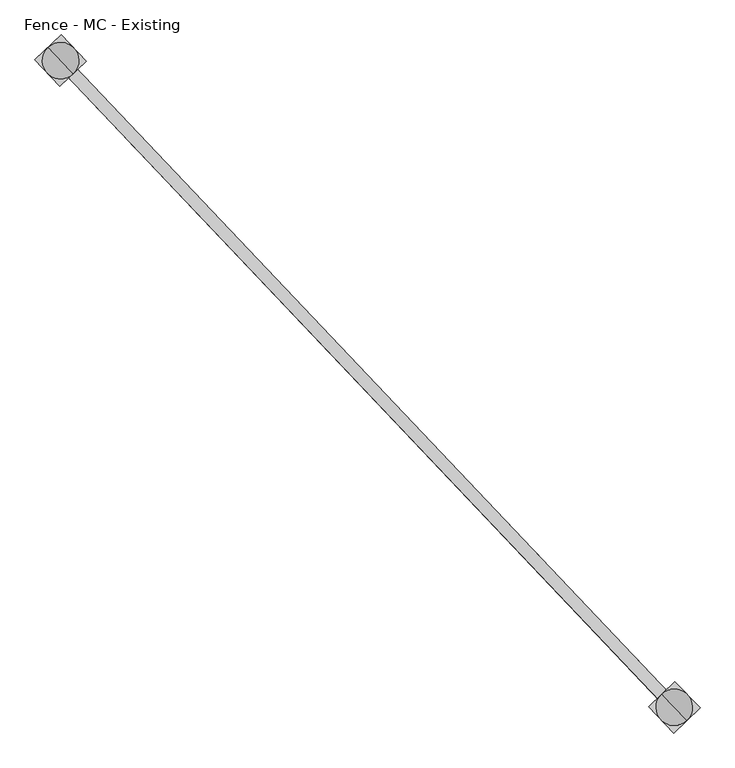
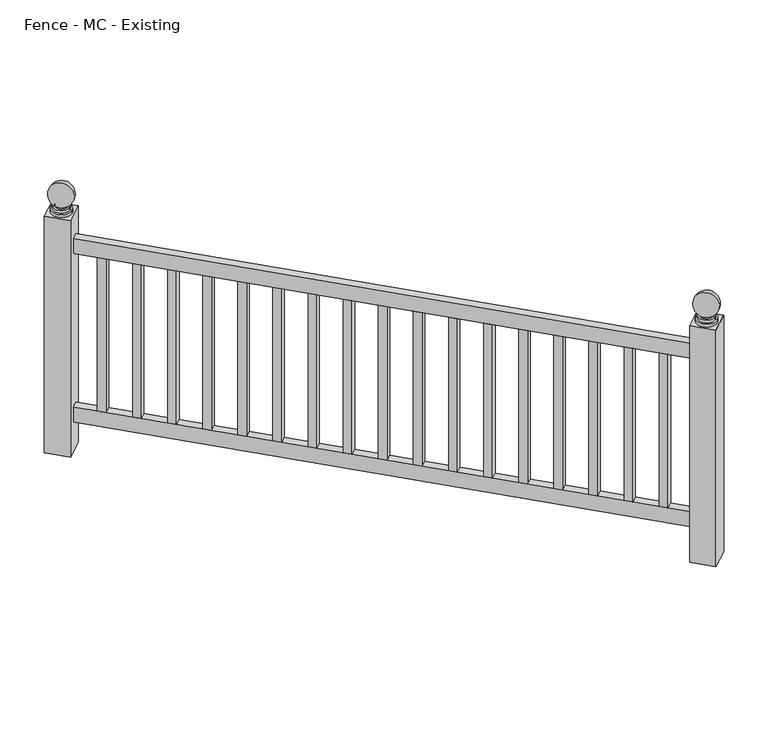
"""IFC4 building model written with IfcOpenShell, lengths in millimetres: railing geometry, Fence - MC - Existing."""

import ifcopenshell
import ifcopenshell.guid

model = None  # the IFC model being written
_history = None  # IfcOwnerHistory: only IFC2X3 demands one
_inside = {}  # id of a spatial element -> (the spatial element, [elements in it])
_under = {}  # id of a project, library or spatial element -> (it, [spatial elements below it])
_declared = {}  # id of a project -> (the project, [libraries it declares])
_typed = {}  # id of a type object -> (the type object, [elements of that type])
_made_of = {}  # id of a material, layer set ... -> (it, [elements and type objects made of it])


def new_model(schema):
    """Start an empty IFC model of exactly this schema.

    Asked for "IFC4X3", IfcOpenShell would pick the latest addendum, in which some entities
    have other attributes; the version numbers below select the first issue.
    IFC2X3 requires an IfcOwnerHistory on every rooted entity: one is made here for all.
    """
    global model, _history
    if schema == "IFC4X3":
        model = ifcopenshell.file(schema_version=(4, 3, 0, 0))
    else:
        model = ifcopenshell.file(schema=schema)
    _inside.clear()
    _under.clear()
    _declared.clear()
    _typed.clear()
    _made_of.clear()
    _history = None
    if model.schema == "IFC2X3":
        org = make("IfcOrganization", Name="unknown")
        user = make(
            "IfcPersonAndOrganization",
            ThePerson=make("IfcPerson", FamilyName="unknown"),
            TheOrganization=org,
        )
        app = make(
            "IfcApplication",
            ApplicationDeveloper=org,
            Version="unknown",
            ApplicationFullName="unknown",
            ApplicationIdentifier="unknown",
        )
        _history = make(
            "IfcOwnerHistory",
            OwningUser=user,
            OwningApplication=app,
            ChangeAction="ADDED",
            CreationDate=0,
        )
    return model


def make(cls, **values):
    """One entity of the class cls with the attributes given. An attribute that is None is left unset."""
    return model.create_entity(
        cls, **{name: value for name, value in values.items() if value is not None}
    )


def rooted(cls, **values):
    """An entity with a GlobalId (a new one), such as an element, a storey or a relation."""
    return make(cls, GlobalId=ifcopenshell.guid.new(), OwnerHistory=_history, **values)


def si_unit(unit_type, name, prefix=None):
    """IfcSIUnit, for example si_unit("LENGTHUNIT", "METRE", prefix="MILLI")."""
    return make("IfcSIUnit", UnitType=unit_type, Prefix=prefix, Name=name)


def assignment(units):
    """IfcUnitAssignment: the units of a project."""
    return None if units is None else make("IfcUnitAssignment", Units=units)


def point(xyz):
    """IfcCartesianPoint."""
    return None if xyz is None else make("IfcCartesianPoint", Coordinates=xyz)


def direction(xyz):
    """IfcDirection."""
    return None if xyz is None else make("IfcDirection", DirectionRatios=xyz)


def frame(location, z_axis=None, x_axis=None):
    """IfcAxis2Placement3D, a coordinate frame: its origin and axes. An axis left out is left unset."""
    return make(
        "IfcAxis2Placement3D",
        Location=point(location),
        Axis=direction(z_axis),
        RefDirection=direction(x_axis),
    )


def origin():
    """The frame at (0, 0, 0) with its axes left unset."""
    return frame((0.0, 0.0, 0.0))


def place(relative_to, where):
    """IfcLocalPlacement: puts the frame where relative to a parent placement (None: the world)."""
    return make(
        "IfcLocalPlacement", PlacementRelTo=relative_to, RelativePlacement=where
    )


def context(
    kind, dimensions, precision=None, world=None, true_north=None, identifier=None
):
    """IfcGeometricRepresentationContext, for example the 3D "Model" context."""
    return make(
        "IfcGeometricRepresentationContext",
        ContextIdentifier=identifier,
        ContextType=kind,
        CoordinateSpaceDimension=dimensions,
        Precision=precision,
        WorldCoordinateSystem=world,
        TrueNorth=true_north,
    )


def project(units=None, contexts=None):
    """IfcProject with its units and contexts."""
    return rooted(
        "IfcProject",
        Name="project",
        RepresentationContexts=contexts,
        UnitsInContext=assignment(units),
    )


def spatial(cls, under=None, at=None, **own):
    """A site, building, storey or space (cls), placed at a placement, below another one or the project."""
    s = rooted(cls, ObjectPlacement=at, **own)
    if under is not None:
        _under.setdefault(under.id(), (under, []))[1].append(s)
    return s


def polyline(points):
    """IfcPolyline through the points."""
    return make("IfcPolyline", Points=[point(p) for p in points])


def circle_curve(where, radius):
    """IfcCircle in the frame where."""
    return make("IfcCircle", Position=where, Radius=radius)


def ellipse_curve(where, semi_axis1, semi_axis2):
    """IfcEllipse in the frame where."""
    return make(
        "IfcEllipse", Position=where, SemiAxis1=semi_axis1, SemiAxis2=semi_axis2
    )


def trimmed(basis, trim1, trim2, sense, master):
    """IfcTrimmedCurve: the piece of a basis curve between two trims."""
    return make(
        "IfcTrimmedCurve",
        BasisCurve=basis,
        Trim1=trim1,
        Trim2=trim2,
        SenseAgreement=sense,
        MasterRepresentation=master,
    )


def outline(outer, holes=None, kind="AREA"):
    """IfcArbitraryClosedProfileDef: a profile drawn as a closed curve; with holes, ...WithVoids."""
    if holes is None:
        return make("IfcArbitraryClosedProfileDef", ProfileType=kind, OuterCurve=outer)
    return make(
        "IfcArbitraryProfileDefWithVoids",
        ProfileType=kind,
        OuterCurve=outer,
        InnerCurves=holes,
    )


def extrude(swept, where, along, depth):
    """IfcExtrudedAreaSolid: the profile swept, set in the frame where, extruded along a direction by depth."""
    return make(
        "IfcExtrudedAreaSolid",
        SweptArea=swept,
        Position=where,
        ExtrudedDirection=direction(along),
        Depth=depth,
    )


def shape(context_of_items, identifier, shape_type, items):
    """IfcShapeRepresentation: the items that make up one representation, for example the "Body"."""
    return make(
        "IfcShapeRepresentation",
        ContextOfItems=context_of_items,
        RepresentationIdentifier=identifier,
        RepresentationType=shape_type,
        Items=items,
    )


def source(mapping_origin, context_of_items, identifier, shape_type, items):
    """IfcRepresentationMap: a shape defined once, which mapped items show again and again."""
    return make(
        "IfcRepresentationMap",
        MappingOrigin=mapping_origin,
        MappedRepresentation=shape(context_of_items, identifier, shape_type, items),
    )


def transform(
    local_origin,
    x_axis=None,
    y_axis=None,
    z_axis=None,
    scale=None,
    scale2=None,
    scale3=None,
    uniform=True,
):
    """IfcCartesianTransformationOperator3D, or its non-uniform kind. x_axis, y_axis, z_axis: its Axis1, 2, 3."""
    if uniform:
        return make(
            "IfcCartesianTransformationOperator3D",
            Axis1=direction(x_axis),
            Axis2=direction(y_axis),
            LocalOrigin=point(local_origin),
            Scale=scale,
            Axis3=direction(z_axis),
        )
    return make(
        "IfcCartesianTransformationOperator3DnonUniform",
        Axis1=direction(x_axis),
        Axis2=direction(y_axis),
        LocalOrigin=point(local_origin),
        Scale=scale,
        Axis3=direction(z_axis),
        Scale2=scale2,
        Scale3=scale3,
    )


def mapped(mapping_source, mapping_target):
    """IfcMappedItem: shows the shape of a source again, moved by a transform."""
    return make(
        "IfcMappedItem", MappingSource=mapping_source, MappingTarget=mapping_target
    )


def made_of(thing, what):
    """Note that an element or type object is made of a material, layer set ...; save() writes the relation."""
    if what is not None:
        _made_of.setdefault(what.id(), (what, []))[1].append(thing)
    return thing


def element(
    cls,
    number,
    at=None,
    inside=None,
    cuts=None,
    type_object=None,
    material=None,
    context=None,
    identifier="Body",
    shape_type=None,
    held_by="IfcProductDefinitionShape",
    body=None,
    shapes=None,
    **own,
):
    """One element of the class cls, such as IfcWall. Its Tag is "e" and its number.

    at: its placement. inside: the storey or other place that contains it. cuts: it is an
    opening in that element (IfcRelVoidsElement). A single representation is given by context,
    identifier, shape_type and body (its items); several are given by shapes. held_by: the class
    of the entity that holds the representations. save() writes the other relations.
    """
    e = rooted(cls, Tag="e%d" % number, ObjectPlacement=at, **own)
    if body is not None:
        shapes = [shape(context, identifier, shape_type, body)]
    if shapes is not None:
        e.Representation = make(held_by, Representations=shapes)
    if inside is not None:
        _inside.setdefault(inside.id(), (inside, []))[1].append(e)
    if cuts is not None:
        rooted(
            "IfcRelVoidsElement", RelatingBuildingElement=cuts, RelatedOpeningElement=e
        )
    if type_object is not None:
        _typed.setdefault(type_object.id(), (type_object, []))[1].append(e)
    return made_of(e, material)


def aggregate(whole, parts):
    """IfcRelAggregates: a whole, such as a stair, and the parts it consists of."""
    return rooted("IfcRelAggregates", RelatingObject=whole, RelatedObjects=parts)


def save(model, path):
    """Write the relations noted so far, then the file.

    IfcRelAggregates (storeys below a building ...), IfcRelContainedInSpatialStructure (elements
    in a storey), IfcRelDefinesByType, IfcRelAssociatesMaterial and IfcRelDeclares: one each for
    every whole, place, type object, material and project.
    """
    for whole, parts in _under.values():
        aggregate(whole, parts)
    for where, things in _inside.values():
        rooted(
            "IfcRelContainedInSpatialStructure",
            RelatedElements=things,
            RelatingStructure=where,
        )
    for kind, things in _typed.values():
        rooted("IfcRelDefinesByType", RelatedObjects=things, RelatingType=kind)
    for what, things in _made_of.values():
        rooted("IfcRelAssociatesMaterial", RelatedObjects=things, RelatingMaterial=what)
    for by, libraries in _declared.values():
        rooted("IfcRelDeclares", RelatingContext=by, RelatedDefinitions=libraries)
    model.write(path)


def plane_surface(at):
    """IfcPlane: the flat surface through the origin of the frame at, square to its z axis."""
    return make("IfcPlane", Position=at)


def cylinder_surface(at, radius):
    """IfcCylindricalSurface: all points at the distance radius from the z axis of the frame at."""
    return make("IfcCylindricalSurface", Position=at, Radius=radius)


def revolved_surface(curve, axis_point, axis_direction):
    """IfcSurfaceOfRevolution: the curve turned about the line through axis_point along axis_direction."""
    return make(
        "IfcSurfaceOfRevolution",
        SweptCurve=make("IfcArbitraryOpenProfileDef", ProfileType="CURVE", Curve=curve),
        AxisPosition=make("IfcAxis1Placement", Location=point(axis_point), Axis=direction(axis_direction)),
    )


def advanced_brep(points, edges, surfaces, faces):
    """IfcAdvancedBrep: a solid bounded by faces that lie on surfaces and meet in shared edges.

    An edge is (start, end): straight between two places in points (the first is 0);
    or (start, end, curve); or (start, end, curve, False) where it runs against its curve.
    A face is (place in surfaces, loops), or (place, loops, False) where it looks against
    its surface's normal. A loop lists edges by number (the first is 1), with a minus sign
    where the edge is run from its end to its start. The first loop is the outer one.
    """
    corners = [point(p) for p in points]
    vertices = [make("IfcVertexPoint", VertexGeometry=c) for c in corners]
    made = []
    for start, end, *more in edges:
        made.append(
            make(
                "IfcEdgeCurve",
                EdgeStart=vertices[start],
                EdgeEnd=vertices[end],
                EdgeGeometry=more[0] if more else make("IfcPolyline", Points=[corners[start], corners[end]]),
                SameSense=more[1] if len(more) > 1 else True,
            )
        )
    hull = []
    for where, loops, *sense in faces:
        bounds = []
        for j, loop in enumerate(loops):
            ring = [make("IfcOrientedEdge", EdgeElement=made[abs(k) - 1], Orientation=k > 0) for k in loop]
            bounds.append(
                make(
                    "IfcFaceOuterBound" if j == 0 else "IfcFaceBound",
                    Bound=make("IfcEdgeLoop", EdgeList=ring),
                    Orientation=True,
                )
            )
        hull.append(make("IfcAdvancedFace", Bounds=bounds, FaceSurface=surfaces[where], SameSense=sense[0] if sense else True))
    return make("IfcAdvancedBrep", Outer=make("IfcClosedShell", CfsFaces=hull))


def fence_mc_existing_903e7204(model_context):
    return source(origin(), model_context, "Body", "SolidModel", [
        extrude(outline(polyline([(105801.3082661, 38392.8561314), (105782.8837571, 38375.3719251), (104497.7945997, 39729.5733384), (104516.2191087, 39747.0575446), (105801.3082661, 38392.8561314)])), frame((0.0, 0.0, 27660.6), z_axis=(0.0, 0.0, 1.0), x_axis=(1.0, 0.0, 0.0)), (0.0, 0.0, 1.0), 50.8),
        extrude(outline(polyline([(105801.3082661, 38392.8561314), (105782.8837571, 38375.3719251), (104497.7945997, 39729.5733384), (104516.2191087, 39747.0575446), (105801.3082661, 38392.8561314)])), frame((0.0, 0.0, 27089.1), z_axis=(0.0, 0.0, 1.0), x_axis=(1.0, 0.0, 0.0)), (0.0, 0.0, 1.0), 50.8),
        extrude(outline(polyline([(104538.0743665, 39724.0269083), (104519.6498575, 39706.5427021), (104502.1656513, 39724.9672111), (104520.5901603, 39742.4514174), (104538.0743665, 39724.0269083)])), frame((0.0, 0.0, 27139.9), z_axis=(0.0, 0.0, 1.0), x_axis=(1.0, 0.0, 0.0)), (0.0, 0.0, 1.0), 520.7),
        extrude(outline(polyline([(104608.0111914, 39650.3288722), (104589.5866824, 39632.844666), (104572.1024762, 39651.269175), (104590.5269852, 39668.7533813), (104608.0111914, 39650.3288722)])), frame((0.0, 0.0, 27139.9), z_axis=(0.0, 0.0, 1.0), x_axis=(1.0, 0.0, 0.0)), (0.0, 0.0, 1.0), 520.7),
        extrude(outline(polyline([(104677.9480163, 39576.6308361), (104659.5235073, 39559.1466299), (104642.039301, 39577.5711389), (104660.4638101, 39595.0553452), (104677.9480163, 39576.6308361)])), frame((0.0, 0.0, 27139.9), z_axis=(0.0, 0.0, 1.0), x_axis=(1.0, 0.0, 0.0)), (0.0, 0.0, 1.0), 520.7),
        extrude(outline(polyline([(104747.8848412, 39502.9328), (104729.4603322, 39485.4485938), (104711.9761259, 39503.8731028), (104730.400635, 39521.3573091), (104747.8848412, 39502.9328)])), frame((0.0, 0.0, 27139.9), z_axis=(0.0, 0.0, 1.0), x_axis=(1.0, 0.0, 0.0)), (0.0, 0.0, 1.0), 520.7),
        extrude(outline(polyline([(104817.8216661, 39429.234764), (104799.397157, 39411.7505577), (104781.9129508, 39430.1750668), (104800.3374598, 39447.659273), (104817.8216661, 39429.234764)])), frame((0.0, 0.0, 27139.9), z_axis=(0.0, 0.0, 1.0), x_axis=(1.0, 0.0, 0.0)), (0.0, 0.0, 1.0), 520.7),
        extrude(outline(polyline([(104887.758491, 39355.5367279), (104869.3339819, 39338.0525216), (104851.8497757, 39356.4770307), (104870.2742847, 39373.9612369), (104887.758491, 39355.5367279)])), frame((0.0, 0.0, 27139.9), z_axis=(0.0, 0.0, 1.0), x_axis=(1.0, 0.0, 0.0)), (0.0, 0.0, 1.0), 520.7),
        extrude(outline(polyline([(104957.6953159, 39281.8386918), (104939.2708068, 39264.3544855), (104921.7866006, 39282.7789946), (104940.2111096, 39300.2632008), (104957.6953159, 39281.8386918)])), frame((0.0, 0.0, 27139.9), z_axis=(0.0, 0.0, 1.0), x_axis=(1.0, 0.0, 0.0)), (0.0, 0.0, 1.0), 520.7),
        extrude(outline(polyline([(105027.6321407, 39208.1406557), (105009.2076317, 39190.6564494), (104991.7234255, 39209.0809585), (105010.1479345, 39226.5651647), (105027.6321407, 39208.1406557)])), frame((0.0, 0.0, 27139.9), z_axis=(0.0, 0.0, 1.0), x_axis=(1.0, 0.0, 0.0)), (0.0, 0.0, 1.0), 520.7),
        extrude(outline(polyline([(105097.5689656, 39134.4426196), (105079.1444566, 39116.9584133), (105061.6602504, 39135.3829224), (105080.0847594, 39152.8671286), (105097.5689656, 39134.4426196)])), frame((0.0, 0.0, 27139.9), z_axis=(0.0, 0.0, 1.0), x_axis=(1.0, 0.0, 0.0)), (0.0, 0.0, 1.0), 520.7),
        extrude(outline(polyline([(105167.5057905, 39060.7445835), (105149.0812815, 39043.2603773), (105131.5970753, 39061.6848863), (105150.0215843, 39079.1690925), (105167.5057905, 39060.7445835)])), frame((0.0, 0.0, 27139.9), z_axis=(0.0, 0.0, 1.0), x_axis=(1.0, 0.0, 0.0)), (0.0, 0.0, 1.0), 520.7),
        extrude(outline(polyline([(105237.4426154, 38987.0465474), (105219.0181064, 38969.5623412), (105201.5339002, 38987.9868502), (105219.9584092, 39005.4710564), (105237.4426154, 38987.0465474)])), frame((0.0, 0.0, 27139.9), z_axis=(0.0, 0.0, 1.0), x_axis=(1.0, 0.0, 0.0)), (0.0, 0.0, 1.0), 520.7),
        extrude(outline(polyline([(105307.3794403, 38913.3485113), (105288.9549313, 38895.8643051), (105271.4707251, 38914.2888141), (105289.8952341, 38931.7730203), (105307.3794403, 38913.3485113)])), frame((0.0, 0.0, 27139.9), z_axis=(0.0, 0.0, 1.0), x_axis=(1.0, 0.0, 0.0)), (0.0, 0.0, 1.0), 520.7),
        extrude(outline(polyline([(105377.3162652, 38839.6504752), (105358.8917562, 38822.166269), (105341.4075499, 38840.590778), (105359.832059, 38858.0749842), (105377.3162652, 38839.6504752)])), frame((0.0, 0.0, 27139.9), z_axis=(0.0, 0.0, 1.0), x_axis=(1.0, 0.0, 0.0)), (0.0, 0.0, 1.0), 520.7),
        extrude(outline(polyline([(105447.2530901, 38765.9524391), (105428.8285811, 38748.4682329), (105411.3443748, 38766.8927419), (105429.7688839, 38784.3769481), (105447.2530901, 38765.9524391)])), frame((0.0, 0.0, 27139.9), z_axis=(0.0, 0.0, 1.0), x_axis=(1.0, 0.0, 0.0)), (0.0, 0.0, 1.0), 520.7),
        extrude(outline(polyline([(105517.189915, 38692.254403), (105498.765406, 38674.7701968), (105481.2811997, 38693.1947058), (105499.7057088, 38710.678912), (105517.189915, 38692.254403)])), frame((0.0, 0.0, 27139.9), z_axis=(0.0, 0.0, 1.0), x_axis=(1.0, 0.0, 0.0)), (0.0, 0.0, 1.0), 520.7),
        extrude(outline(polyline([(105587.1267399, 38618.5563669), (105568.7022308, 38601.0721607), (105551.2180246, 38619.4966697), (105569.6425336, 38636.9808759), (105587.1267399, 38618.5563669)])), frame((0.0, 0.0, 27139.9), z_axis=(0.0, 0.0, 1.0), x_axis=(1.0, 0.0, 0.0)), (0.0, 0.0, 1.0), 520.7),
        extrude(outline(polyline([(105657.0635648, 38544.8583308), (105638.6390557, 38527.3741246), (105621.1548495, 38545.7986336), (105639.5793585, 38563.2828398), (105657.0635648, 38544.8583308)])), frame((0.0, 0.0, 27139.9), z_axis=(0.0, 0.0, 1.0), x_axis=(1.0, 0.0, 0.0)), (0.0, 0.0, 1.0), 520.7),
        extrude(outline(polyline([(105727.0003896, 38471.1602947), (105708.5758806, 38453.6760885), (105691.0916744, 38472.1005975), (105709.5161834, 38489.5848037), (105727.0003896, 38471.1602947)])), frame((0.0, 0.0, 27139.9), z_axis=(0.0, 0.0, 1.0), x_axis=(1.0, 0.0, 0.0)), (0.0, 0.0, 1.0), 520.7),
        extrude(outline(polyline([(105796.9372145, 38397.4622586), (105778.5127055, 38379.9780524), (105761.0284993, 38398.4025614), (105779.4530083, 38415.8867676), (105796.9372145, 38397.4622586)])), frame((0.0, 0.0, 27139.9), z_axis=(0.0, 0.0, 1.0), x_axis=(1.0, 0.0, 0.0)), (0.0, 0.0, 1.0), 520.7),
        advanced_brep(
        [(104485.1515964, 39761.3460778, 27787.6), (104528.862112, 39715.2848052, 27787.6), (104507.0068542, 39738.3154415, 27787.6), (104485.1515964, 39761.3460778, 27797.125), (104528.862112, 39715.2848052, 27797.125), (104489.522648, 39756.7399505, 27797.125), (104524.4910604, 39719.8909325, 27797.125), (104489.522648, 39756.7399505, 27806.65), (104524.4910604, 39719.8909325, 27806.65), (104493.8936996, 39752.1338233, 27806.65), (104520.1200089, 39724.4970597, 27806.65), (104493.8936996, 39752.1338233, 27811.7544321), (104520.1200089, 39724.4970597, 27811.7544321), (104507.0068542, 39738.3154415, 27882.85)],
        [
            (0, 1, circle_curve(frame((104507.0068542, 39738.3154415, 27787.6), z_axis=(0.0, 0.0, -1.0), x_axis=(0.6883545756937386, -0.7253743710123023, 0.0)), 31.75)),
            (1, 2),
            (2, 0),
            (1, 0, circle_curve(frame((104507.0068542, 39738.3154415, 27787.6), z_axis=(0.0, 0.0, -1.0), x_axis=(0.6883545756937386, -0.7253743710123023, 0.0)), 31.75)),
            (0, 3),
            (3, 4, circle_curve(frame((104507.0068542, 39738.3154415, 27797.125), z_axis=(0.0, 0.0, -1.0), x_axis=(0.6883545756937386, -0.7253743710123023, 0.0)), 31.75)),
            (4, 1),
            (4, 3, circle_curve(frame((104507.0068542, 39738.3154415, 27797.125), z_axis=(0.0, 0.0, -1.0), x_axis=(0.6883545756937386, -0.7253743710123023, 0.0)), 31.75)),
            (3, 5),
            (5, 6, circle_curve(frame((104507.0068542, 39738.3154415, 27797.125), z_axis=(0.0, 0.0, -1.0), x_axis=(0.6883545756937386, -0.7253743710123023, 0.0)), 25.4)),
            (6, 4),
            (6, 5, circle_curve(frame((104507.0068542, 39738.3154415, 27797.125), z_axis=(0.0, 0.0, -1.0), x_axis=(0.6883545756937386, -0.7253743710123023, 0.0)), 25.4)),
            (5, 7),
            (7, 8, circle_curve(frame((104507.0068542, 39738.3154415, 27806.65), z_axis=(0.0, 0.0, -1.0), x_axis=(0.6883545756937386, -0.7253743710123023, 0.0)), 25.4)),
            (8, 6),
            (8, 7, circle_curve(frame((104507.0068542, 39738.3154415, 27806.65), z_axis=(0.0, 0.0, -1.0), x_axis=(0.6883545756937386, -0.7253743710123023, 0.0)), 25.4)),
            (7, 9),
            (9, 10, circle_curve(frame((104507.0068542, 39738.3154415, 27806.65), z_axis=(0.0, 0.0, -1.0), x_axis=(0.6883545756937386, -0.7253743710123023, 0.0)), 19.05)),
            (10, 8),
            (10, 9, circle_curve(frame((104507.0068542, 39738.3154415, 27806.65), z_axis=(0.0, 0.0, -1.0), x_axis=(0.6883545756937386, -0.7253743710123023, 0.0)), 19.05)),
            (9, 11),
            (11, 12, circle_curve(frame((104507.0068542, 39738.3154415, 27811.7544321), z_axis=(0.0, 0.0, -1.0), x_axis=(0.6883545756937386, -0.7253743710123023, 0.0)), 19.05)),
            (12, 10),
            (12, 11, circle_curve(frame((104507.0068542, 39738.3154415, 27811.7544321), z_axis=(0.0, 0.0, -1.0), x_axis=(0.6883545756937386, -0.7253743710123023, 0.0)), 19.05)),
            (11, 13, circle_curve(frame((104507.0068542, 39738.3154415, 27844.75), z_axis=(0.7253743710123045, 0.6883545756937363, 0.0), x_axis=(-0.6883545756937363, 0.7253743710123045, 0.0)), 38.1)),
            (13, 12, circle_curve(frame((104507.0068542, 39738.3154415, 27844.75), z_axis=(0.7253743710123023, 0.6883545756937386, 0.0), x_axis=(0.6883545756937386, -0.7253743710123023, 0.0)), 38.1)),
        ],
        [
            plane_surface(frame((104507.0068542, 39738.3154415, 27787.6), z_axis=(0.0, 0.0, -1.0), x_axis=(0.6883545756937386, -0.7253743710123023, 0.0))),
            cylinder_surface(frame((104507.0068542, 39738.3154415, 27787.6), z_axis=(0.0, 0.0, 1.0), x_axis=(0.6883545756937386, -0.7253743710123023, 0.0)), 31.75),
            plane_surface(frame((104507.0068542, 39738.3154415, 27797.125), z_axis=(0.0, 0.0, 1.0), x_axis=(0.6883545756937386, -0.7253743710123023, 0.0))),
            cylinder_surface(frame((104507.0068542, 39738.3154415, 27787.6), z_axis=(0.0, 0.0, 1.0), x_axis=(0.6883545756937386, -0.7253743710123023, 0.0)), 25.4),
            plane_surface(frame((104507.0068542, 39738.3154415, 27806.65), z_axis=(0.0, 0.0, 1.0), x_axis=(0.6883545756937386, -0.7253743710123023, 0.0))),
            cylinder_surface(frame((104507.0068542, 39738.3154415, 27787.6), z_axis=(0.0, 0.0, 1.0), x_axis=(0.6883545756937386, -0.7253743710123023, 0.0)), 19.05),
            revolved_surface(trimmed(ellipse_curve(frame((104507.0068542, 39738.3154415, 27844.75), z_axis=(-0.7253743710123023, -0.6883545756937386, 0.0), x_axis=(0.6883545756937386, -0.7253743710123023, 0.0)), 38.1, 38.1), [point((104520.1200089, 39724.4970597, 27811.7544321))], [point((104507.0068542, 39738.3154415, 27882.85))], True, "CARTESIAN"), (104507.0068542, 39738.3154415, 27787.6), (0.0, 0.0, 1.0)),
        ],
        [
            (0, [[1, 2, 3]]),
            (0, [[-2, 4, -3]]),
            (1, [[-1, 5, 6, 7]]),
            (1, [[-4, -7, 8, -5]]),
            (2, [[-6, 9, 10, 11]]),
            (2, [[-8, -11, 12, -9]]),
            (3, [[-10, 13, 14, 15]]),
            (3, [[-12, -15, 16, -13]]),
            (4, [[-14, 17, 18, 19]]),
            (4, [[-16, -19, 20, -17]]),
            (5, [[-18, 21, 22, 23]]),
            (5, [[-20, -23, 24, -21]]),
            (6, [[-22, 25, 26]]),
            (6, [[-24, -26, -25]]),
        ],
    ),
        extrude(outline(polyline([(104505.5964, 39684.4523686), (104453.1437813, 39739.7258957), (104508.4173084, 39792.1785144), (104560.8699271, 39736.9049873), (104505.5964, 39684.4523686)])), frame((0.0, 0.0, 26987.5), z_axis=(0.0, 0.0, 1.0), x_axis=(1.0, 0.0, 0.0)), (0.0, 0.0, 1.0), 800.1),
        advanced_brep(
        [(105770.2407538, 38407.1446645, 27787.6), (105813.9512694, 38361.083392, 27787.6), (105792.0960116, 38384.1140283, 27787.6), (105770.2407538, 38407.1446645, 27797.125), (105813.9512694, 38361.083392, 27797.125), (105774.6118054, 38402.5385373, 27797.125), (105809.5802178, 38365.6895192, 27797.125), (105774.6118054, 38402.5385373, 27806.65), (105809.5802178, 38365.6895192, 27806.65), (105778.9828569, 38397.93241, 27806.65), (105805.2091662, 38370.2956465, 27806.65), (105778.9828569, 38397.93241, 27811.7544321), (105805.2091662, 38370.2956465, 27811.7544321), (105792.0960116, 38384.1140283, 27882.85)],
        [
            (0, 1, circle_curve(frame((105792.0960116, 38384.1140283, 27787.6), z_axis=(0.0, 0.0, -1.0), x_axis=(0.6883545756937386, -0.7253743710123023, 0.0)), 31.75)),
            (1, 2),
            (2, 0),
            (1, 0, circle_curve(frame((105792.0960116, 38384.1140283, 27787.6), z_axis=(0.0, 0.0, -1.0), x_axis=(0.6883545756937386, -0.7253743710123023, 0.0)), 31.75)),
            (0, 3),
            (3, 4, circle_curve(frame((105792.0960116, 38384.1140283, 27797.125), z_axis=(0.0, 0.0, -1.0), x_axis=(0.6883545756937386, -0.7253743710123023, 0.0)), 31.75)),
            (4, 1),
            (4, 3, circle_curve(frame((105792.0960116, 38384.1140283, 27797.125), z_axis=(0.0, 0.0, -1.0), x_axis=(0.6883545756937386, -0.7253743710123023, 0.0)), 31.75)),
            (3, 5),
            (5, 6, circle_curve(frame((105792.0960116, 38384.1140283, 27797.125), z_axis=(0.0, 0.0, -1.0), x_axis=(0.6883545756937386, -0.7253743710123023, 0.0)), 25.4)),
            (6, 4),
            (6, 5, circle_curve(frame((105792.0960116, 38384.1140283, 27797.125), z_axis=(0.0, 0.0, -1.0), x_axis=(0.6883545756937386, -0.7253743710123023, 0.0)), 25.4)),
            (5, 7),
            (7, 8, circle_curve(frame((105792.0960116, 38384.1140283, 27806.65), z_axis=(0.0, 0.0, -1.0), x_axis=(0.6883545756937386, -0.7253743710123023, 0.0)), 25.4)),
            (8, 6),
            (8, 7, circle_curve(frame((105792.0960116, 38384.1140283, 27806.65), z_axis=(0.0, 0.0, -1.0), x_axis=(0.6883545756937386, -0.7253743710123023, 0.0)), 25.4)),
            (7, 9),
            (9, 10, circle_curve(frame((105792.0960116, 38384.1140283, 27806.65), z_axis=(0.0, 0.0, -1.0), x_axis=(0.6883545756937386, -0.7253743710123023, 0.0)), 19.05)),
            (10, 8),
            (10, 9, circle_curve(frame((105792.0960116, 38384.1140283, 27806.65), z_axis=(0.0, 0.0, -1.0), x_axis=(0.6883545756937386, -0.7253743710123023, 0.0)), 19.05)),
            (9, 11),
            (11, 12, circle_curve(frame((105792.0960116, 38384.1140283, 27811.7544321), z_axis=(0.0, 0.0, -1.0), x_axis=(0.6883545756937386, -0.7253743710123023, 0.0)), 19.05)),
            (12, 10),
            (12, 11, circle_curve(frame((105792.0960116, 38384.1140283, 27811.7544321), z_axis=(0.0, 0.0, -1.0), x_axis=(0.6883545756937386, -0.7253743710123023, 0.0)), 19.05)),
            (11, 13, circle_curve(frame((105792.0960116, 38384.1140283, 27844.75), z_axis=(0.7253743710123045, 0.6883545756937363, 0.0), x_axis=(-0.6883545756937363, 0.7253743710123045, 0.0)), 38.1)),
            (13, 12, circle_curve(frame((105792.0960116, 38384.1140283, 27844.75), z_axis=(0.7253743710123023, 0.6883545756937386, 0.0), x_axis=(0.6883545756937386, -0.7253743710123023, 0.0)), 38.1)),
        ],
        [
            plane_surface(frame((105792.0960116, 38384.1140283, 27787.6), z_axis=(0.0, 0.0, -1.0), x_axis=(0.6883545756937386, -0.7253743710123023, 0.0))),
            cylinder_surface(frame((105792.0960116, 38384.1140283, 27787.6), z_axis=(0.0, 0.0, 1.0), x_axis=(0.6883545756937386, -0.7253743710123023, 0.0)), 31.75),
            plane_surface(frame((105792.0960116, 38384.1140283, 27797.125), z_axis=(0.0, 0.0, 1.0), x_axis=(0.6883545756937386, -0.7253743710123023, 0.0))),
            cylinder_surface(frame((105792.0960116, 38384.1140283, 27787.6), z_axis=(0.0, 0.0, 1.0), x_axis=(0.6883545756937386, -0.7253743710123023, 0.0)), 25.4),
            plane_surface(frame((105792.0960116, 38384.1140283, 27806.65), z_axis=(0.0, 0.0, 1.0), x_axis=(0.6883545756937386, -0.7253743710123023, 0.0))),
            cylinder_surface(frame((105792.0960116, 38384.1140283, 27787.6), z_axis=(0.0, 0.0, 1.0), x_axis=(0.6883545756937386, -0.7253743710123023, 0.0)), 19.05),
            revolved_surface(trimmed(ellipse_curve(frame((105792.0960116, 38384.1140283, 27844.75), z_axis=(-0.7253743710123023, -0.6883545756937386, 0.0), x_axis=(0.6883545756937386, -0.7253743710123023, 0.0)), 38.1, 38.1), [point((105805.2091662, 38370.2956465, 27811.7544321))], [point((105792.0960116, 38384.1140283, 27882.85))], True, "CARTESIAN"), (105792.0960116, 38384.1140283, 27787.6), (0.0, 0.0, 1.0)),
        ],
        [
            (0, [[1, 2, 3]]),
            (0, [[-2, 4, -3]]),
            (1, [[-1, 5, 6, 7]]),
            (1, [[-4, -7, 8, -5]]),
            (2, [[-6, 9, 10, 11]]),
            (2, [[-8, -11, 12, -9]]),
            (3, [[-10, 13, 14, 15]]),
            (3, [[-12, -15, 16, -13]]),
            (4, [[-14, 17, 18, 19]]),
            (4, [[-16, -19, 20, -17]]),
            (5, [[-18, 21, 22, 23]]),
            (5, [[-20, -23, 24, -21]]),
            (6, [[-22, 25, 26]]),
            (6, [[-24, -26, -25]]),
        ],
    ),
        extrude(outline(polyline([(105790.6855574, 38330.2509554), (105738.2329387, 38385.5244825), (105793.5064658, 38437.9771011), (105845.9590845, 38382.7035741), (105790.6855574, 38330.2509554)])), frame((0.0, 0.0, 26987.5), z_axis=(0.0, 0.0, 1.0), x_axis=(1.0, 0.0, 0.0)), (0.0, 0.0, 1.0), 800.1),
    ])


if __name__ == "__main__":
    model = new_model("IFC4")
    model_context = context("Model", 3, world=origin())
    ifc_project = project(units=[si_unit("LENGTHUNIT", "METRE", prefix="MILLI")], contexts=[model_context])
    site = spatial("IfcSite", under=ifc_project)
    building = spatial("IfcBuilding", under=site)
    placement = place(None, origin())
    fence_mc_existing_shape = fence_mc_existing_903e7204(model_context)
    element("IfcRailing", 1, ObjectType="Fence - MC - Existing", at=placement, inside=building, context=model_context, shape_type="MappedRepresentation", body=[
        mapped(fence_mc_existing_shape, transform((0.0, 0.0, 0.0), x_axis=(1.0, 0.0, 0.0), y_axis=(0.0, 1.0, 0.0), z_axis=(0.0, 0.0, 1.0))),
    ])
    save(model, "model.ifc")
